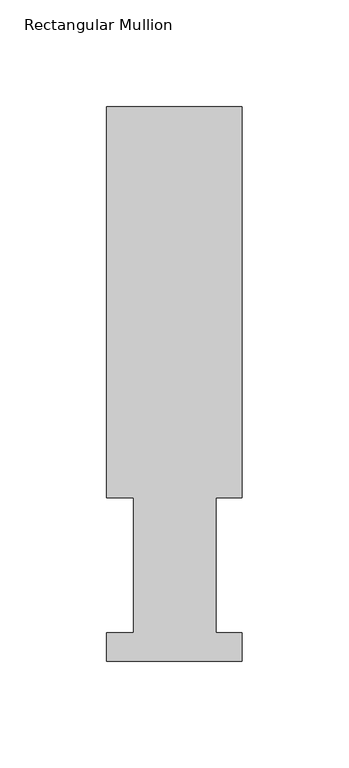
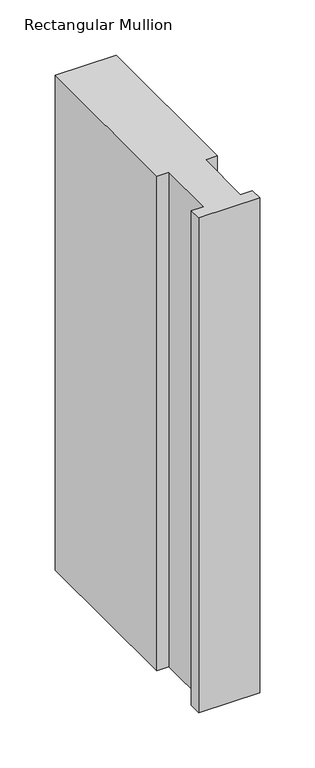
"""IFC4 building model written with IfcOpenShell, lengths in millimetres: member geometry, Rectangular Mullion."""

import ifcopenshell
import ifcopenshell.guid

model = None  # the IFC model being written
_history = None  # IfcOwnerHistory: only IFC2X3 demands one
_inside = {}  # id of a spatial element -> (the spatial element, [elements in it])
_under = {}  # id of a project, library or spatial element -> (it, [spatial elements below it])
_declared = {}  # id of a project -> (the project, [libraries it declares])
_typed = {}  # id of a type object -> (the type object, [elements of that type])
_made_of = {}  # id of a material, layer set ... -> (it, [elements and type objects made of it])


def new_model(schema):
    """Start an empty IFC model of exactly this schema.

    Asked for "IFC4X3", IfcOpenShell would pick the latest addendum, in which some entities
    have other attributes; the version numbers below select the first issue.
    IFC2X3 requires an IfcOwnerHistory on every rooted entity: one is made here for all.
    """
    global model, _history
    if schema == "IFC4X3":
        model = ifcopenshell.file(schema_version=(4, 3, 0, 0))
    else:
        model = ifcopenshell.file(schema=schema)
    _inside.clear()
    _under.clear()
    _declared.clear()
    _typed.clear()
    _made_of.clear()
    _history = None
    if model.schema == "IFC2X3":
        org = make("IfcOrganization", Name="unknown")
        user = make(
            "IfcPersonAndOrganization",
            ThePerson=make("IfcPerson", FamilyName="unknown"),
            TheOrganization=org,
        )
        app = make(
            "IfcApplication",
            ApplicationDeveloper=org,
            Version="unknown",
            ApplicationFullName="unknown",
            ApplicationIdentifier="unknown",
        )
        _history = make(
            "IfcOwnerHistory",
            OwningUser=user,
            OwningApplication=app,
            ChangeAction="ADDED",
            CreationDate=0,
        )
    return model


def make(cls, **values):
    """One entity of the class cls with the attributes given. An attribute that is None is left unset."""
    return model.create_entity(
        cls, **{name: value for name, value in values.items() if value is not None}
    )


def rooted(cls, **values):
    """An entity with a GlobalId (a new one), such as an element, a storey or a relation."""
    return make(cls, GlobalId=ifcopenshell.guid.new(), OwnerHistory=_history, **values)


def si_unit(unit_type, name, prefix=None):
    """IfcSIUnit, for example si_unit("LENGTHUNIT", "METRE", prefix="MILLI")."""
    return make("IfcSIUnit", UnitType=unit_type, Prefix=prefix, Name=name)


def assignment(units):
    """IfcUnitAssignment: the units of a project."""
    return None if units is None else make("IfcUnitAssignment", Units=units)


def point(xyz):
    """IfcCartesianPoint."""
    return None if xyz is None else make("IfcCartesianPoint", Coordinates=xyz)


def direction(xyz):
    """IfcDirection."""
    return None if xyz is None else make("IfcDirection", DirectionRatios=xyz)


def frame(location, z_axis=None, x_axis=None):
    """IfcAxis2Placement3D, a coordinate frame: its origin and axes. An axis left out is left unset."""
    return make(
        "IfcAxis2Placement3D",
        Location=point(location),
        Axis=direction(z_axis),
        RefDirection=direction(x_axis),
    )


def origin():
    """The frame at (0, 0, 0) with its axes left unset."""
    return frame((0.0, 0.0, 0.0))


def place(relative_to, where):
    """IfcLocalPlacement: puts the frame where relative to a parent placement (None: the world)."""
    return make(
        "IfcLocalPlacement", PlacementRelTo=relative_to, RelativePlacement=where
    )


def context(
    kind, dimensions, precision=None, world=None, true_north=None, identifier=None
):
    """IfcGeometricRepresentationContext, for example the 3D "Model" context."""
    return make(
        "IfcGeometricRepresentationContext",
        ContextIdentifier=identifier,
        ContextType=kind,
        CoordinateSpaceDimension=dimensions,
        Precision=precision,
        WorldCoordinateSystem=world,
        TrueNorth=true_north,
    )


def project(units=None, contexts=None):
    """IfcProject with its units and contexts."""
    return rooted(
        "IfcProject",
        Name="project",
        RepresentationContexts=contexts,
        UnitsInContext=assignment(units),
    )


def spatial(cls, under=None, at=None, **own):
    """A site, building, storey or space (cls), placed at a placement, below another one or the project."""
    s = rooted(cls, ObjectPlacement=at, **own)
    if under is not None:
        _under.setdefault(under.id(), (under, []))[1].append(s)
    return s


def polyline(points):
    """IfcPolyline through the points."""
    return make("IfcPolyline", Points=[point(p) for p in points])


def outline(outer, holes=None, kind="AREA"):
    """IfcArbitraryClosedProfileDef: a profile drawn as a closed curve; with holes, ...WithVoids."""
    if holes is None:
        return make("IfcArbitraryClosedProfileDef", ProfileType=kind, OuterCurve=outer)
    return make(
        "IfcArbitraryProfileDefWithVoids",
        ProfileType=kind,
        OuterCurve=outer,
        InnerCurves=holes,
    )


def extrude(swept, where, along, depth):
    """IfcExtrudedAreaSolid: the profile swept, set in the frame where, extruded along a direction by depth."""
    return make(
        "IfcExtrudedAreaSolid",
        SweptArea=swept,
        Position=where,
        ExtrudedDirection=direction(along),
        Depth=depth,
    )


def shape(context_of_items, identifier, shape_type, items):
    """IfcShapeRepresentation: the items that make up one representation, for example the "Body"."""
    return make(
        "IfcShapeRepresentation",
        ContextOfItems=context_of_items,
        RepresentationIdentifier=identifier,
        RepresentationType=shape_type,
        Items=items,
    )


def source(mapping_origin, context_of_items, identifier, shape_type, items):
    """IfcRepresentationMap: a shape defined once, which mapped items show again and again."""
    return make(
        "IfcRepresentationMap",
        MappingOrigin=mapping_origin,
        MappedRepresentation=shape(context_of_items, identifier, shape_type, items),
    )


def transform(
    local_origin,
    x_axis=None,
    y_axis=None,
    z_axis=None,
    scale=None,
    scale2=None,
    scale3=None,
    uniform=True,
):
    """IfcCartesianTransformationOperator3D, or its non-uniform kind. x_axis, y_axis, z_axis: its Axis1, 2, 3."""
    if uniform:
        return make(
            "IfcCartesianTransformationOperator3D",
            Axis1=direction(x_axis),
            Axis2=direction(y_axis),
            LocalOrigin=point(local_origin),
            Scale=scale,
            Axis3=direction(z_axis),
        )
    return make(
        "IfcCartesianTransformationOperator3DnonUniform",
        Axis1=direction(x_axis),
        Axis2=direction(y_axis),
        LocalOrigin=point(local_origin),
        Scale=scale,
        Axis3=direction(z_axis),
        Scale2=scale2,
        Scale3=scale3,
    )


def mapped(mapping_source, mapping_target):
    """IfcMappedItem: shows the shape of a source again, moved by a transform."""
    return make(
        "IfcMappedItem", MappingSource=mapping_source, MappingTarget=mapping_target
    )


def made_of(thing, what):
    """Note that an element or type object is made of a material, layer set ...; save() writes the relation."""
    if what is not None:
        _made_of.setdefault(what.id(), (what, []))[1].append(thing)
    return thing


def element(
    cls,
    number,
    at=None,
    inside=None,
    cuts=None,
    type_object=None,
    material=None,
    context=None,
    identifier="Body",
    shape_type=None,
    held_by="IfcProductDefinitionShape",
    body=None,
    shapes=None,
    **own,
):
    """One element of the class cls, such as IfcWall. Its Tag is "e" and its number.

    at: its placement. inside: the storey or other place that contains it. cuts: it is an
    opening in that element (IfcRelVoidsElement). A single representation is given by context,
    identifier, shape_type and body (its items); several are given by shapes. held_by: the class
    of the entity that holds the representations. save() writes the other relations.
    """
    e = rooted(cls, Tag="e%d" % number, ObjectPlacement=at, **own)
    if body is not None:
        shapes = [shape(context, identifier, shape_type, body)]
    if shapes is not None:
        e.Representation = make(held_by, Representations=shapes)
    if inside is not None:
        _inside.setdefault(inside.id(), (inside, []))[1].append(e)
    if cuts is not None:
        rooted(
            "IfcRelVoidsElement", RelatingBuildingElement=cuts, RelatedOpeningElement=e
        )
    if type_object is not None:
        _typed.setdefault(type_object.id(), (type_object, []))[1].append(e)
    return made_of(e, material)


def aggregate(whole, parts):
    """IfcRelAggregates: a whole, such as a stair, and the parts it consists of."""
    return rooted("IfcRelAggregates", RelatingObject=whole, RelatedObjects=parts)


def save(model, path):
    """Write the relations noted so far, then the file.

    IfcRelAggregates (storeys below a building ...), IfcRelContainedInSpatialStructure (elements
    in a storey), IfcRelDefinesByType, IfcRelAssociatesMaterial and IfcRelDeclares: one each for
    every whole, place, type object, material and project.
    """
    for whole, parts in _under.values():
        aggregate(whole, parts)
    for where, things in _inside.values():
        rooted(
            "IfcRelContainedInSpatialStructure",
            RelatedElements=things,
            RelatingStructure=where,
        )
    for kind, things in _typed.values():
        rooted("IfcRelDefinesByType", RelatedObjects=things, RelatingType=kind)
    for what, things in _made_of.values():
        rooted("IfcRelAssociatesMaterial", RelatedObjects=things, RelatingMaterial=what)
    for by, libraries in _declared.values():
        rooted("IfcRelDeclares", RelatingContext=by, RelatedDefinitions=libraries)
    model.write(path)


def rectangular_mullion_5d32392f(model_context):
    return source(origin(), model_context, "Body", "SweptSolid", [
        extrude(outline(polyline([(-63.5, 76.2992187), (-63.5, 259.4591074), (0.0, 259.4591074), (0.0, 76.2992187), (-12.3418395, 76.2992187), (-12.3418395, 13.1492189), (0.0, 13.1492189), (0.0, -0.0333811), (-63.5, -0.0333811), (-63.5, 13.1492189), (-50.8, 13.1492189), (-50.8, 76.2992187), (-63.5, 76.2992187)])), frame((0.0, 0.0, -546.1), z_axis=(0.0, 0.0, 1.0), x_axis=(1.0, 0.0, 0.0)), (0.0, 0.0, 1.0), 546.1),
    ])


if __name__ == "__main__":
    model = new_model("IFC4")
    model_context = context("Model", 3, world=origin())
    ifc_project = project(units=[si_unit("LENGTHUNIT", "METRE", prefix="MILLI")], contexts=[model_context])
    site = spatial("IfcSite", under=ifc_project)
    building = spatial("IfcBuilding", under=site)
    placement = place(None, origin())
    rectangular_mullion_shape = rectangular_mullion_5d32392f(model_context)
    element("IfcMember", 1, ObjectType="Rectangular Mullion", at=placement, inside=building, context=model_context, shape_type="MappedRepresentation", body=[
        mapped(rectangular_mullion_shape, transform((0.0, 0.0, 0.0), x_axis=(1.0, 0.0, 0.0), y_axis=(0.0, 1.0, 0.0), z_axis=(0.0, 0.0, 1.0))),
    ])
    save(model, "model.ifc")
